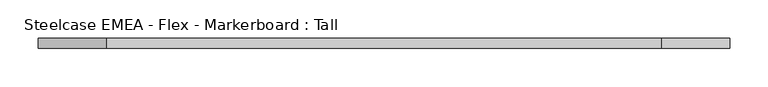
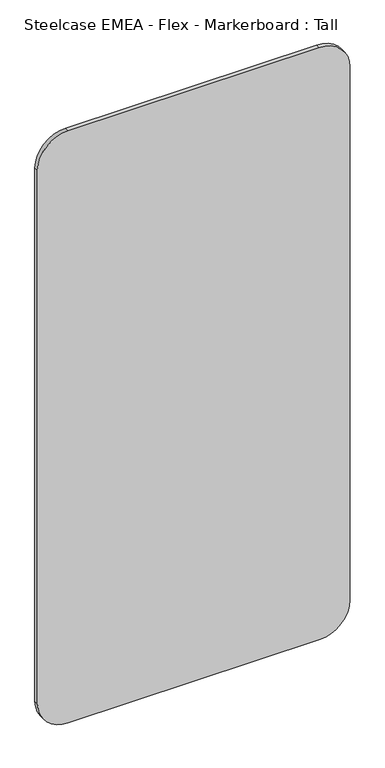
"""IFC4 building model written with IfcOpenShell, lengths in millimetres: furniture geometry, Steelcase EMEA - Flex - Markerboard : Tall."""

import ifcopenshell
import ifcopenshell.guid

model = None  # the IFC model being written
_history = None  # IfcOwnerHistory: only IFC2X3 demands one
_inside = {}  # id of a spatial element -> (the spatial element, [elements in it])
_under = {}  # id of a project, library or spatial element -> (it, [spatial elements below it])
_declared = {}  # id of a project -> (the project, [libraries it declares])
_typed = {}  # id of a type object -> (the type object, [elements of that type])
_made_of = {}  # id of a material, layer set ... -> (it, [elements and type objects made of it])


def new_model(schema):
    """Start an empty IFC model of exactly this schema.

    Asked for "IFC4X3", IfcOpenShell would pick the latest addendum, in which some entities
    have other attributes; the version numbers below select the first issue.
    IFC2X3 requires an IfcOwnerHistory on every rooted entity: one is made here for all.
    """
    global model, _history
    if schema == "IFC4X3":
        model = ifcopenshell.file(schema_version=(4, 3, 0, 0))
    else:
        model = ifcopenshell.file(schema=schema)
    _inside.clear()
    _under.clear()
    _declared.clear()
    _typed.clear()
    _made_of.clear()
    _history = None
    if model.schema == "IFC2X3":
        org = make("IfcOrganization", Name="unknown")
        user = make(
            "IfcPersonAndOrganization",
            ThePerson=make("IfcPerson", FamilyName="unknown"),
            TheOrganization=org,
        )
        app = make(
            "IfcApplication",
            ApplicationDeveloper=org,
            Version="unknown",
            ApplicationFullName="unknown",
            ApplicationIdentifier="unknown",
        )
        _history = make(
            "IfcOwnerHistory",
            OwningUser=user,
            OwningApplication=app,
            ChangeAction="ADDED",
            CreationDate=0,
        )
    return model


def make(cls, **values):
    """One entity of the class cls with the attributes given. An attribute that is None is left unset."""
    return model.create_entity(
        cls, **{name: value for name, value in values.items() if value is not None}
    )


def rooted(cls, **values):
    """An entity with a GlobalId (a new one), such as an element, a storey or a relation."""
    return make(cls, GlobalId=ifcopenshell.guid.new(), OwnerHistory=_history, **values)


def si_unit(unit_type, name, prefix=None):
    """IfcSIUnit, for example si_unit("LENGTHUNIT", "METRE", prefix="MILLI")."""
    return make("IfcSIUnit", UnitType=unit_type, Prefix=prefix, Name=name)


def assignment(units):
    """IfcUnitAssignment: the units of a project."""
    return None if units is None else make("IfcUnitAssignment", Units=units)


def point(xyz):
    """IfcCartesianPoint."""
    return None if xyz is None else make("IfcCartesianPoint", Coordinates=xyz)


def direction(xyz):
    """IfcDirection."""
    return None if xyz is None else make("IfcDirection", DirectionRatios=xyz)


def frame(location, z_axis=None, x_axis=None):
    """IfcAxis2Placement3D, a coordinate frame: its origin and axes. An axis left out is left unset."""
    return make(
        "IfcAxis2Placement3D",
        Location=point(location),
        Axis=direction(z_axis),
        RefDirection=direction(x_axis),
    )


def frame_2d(location, x_axis=None):
    """IfcAxis2Placement2D, a coordinate frame in the plane: its origin and x axis."""
    return make(
        "IfcAxis2Placement2D", Location=point(location), RefDirection=direction(x_axis)
    )


def origin():
    """The frame at (0, 0, 0) with its axes left unset."""
    return frame((0.0, 0.0, 0.0))


def place(relative_to, where):
    """IfcLocalPlacement: puts the frame where relative to a parent placement (None: the world)."""
    return make(
        "IfcLocalPlacement", PlacementRelTo=relative_to, RelativePlacement=where
    )


def context(
    kind, dimensions, precision=None, world=None, true_north=None, identifier=None
):
    """IfcGeometricRepresentationContext, for example the 3D "Model" context."""
    return make(
        "IfcGeometricRepresentationContext",
        ContextIdentifier=identifier,
        ContextType=kind,
        CoordinateSpaceDimension=dimensions,
        Precision=precision,
        WorldCoordinateSystem=world,
        TrueNorth=true_north,
    )


def project(units=None, contexts=None):
    """IfcProject with its units and contexts."""
    return rooted(
        "IfcProject",
        Name="project",
        RepresentationContexts=contexts,
        UnitsInContext=assignment(units),
    )


def spatial(cls, under=None, at=None, **own):
    """A site, building, storey or space (cls), placed at a placement, below another one or the project."""
    s = rooted(cls, ObjectPlacement=at, **own)
    if under is not None:
        _under.setdefault(under.id(), (under, []))[1].append(s)
    return s


def polyline(points):
    """IfcPolyline through the points."""
    return make("IfcPolyline", Points=[point(p) for p in points])


def circle_curve(where, radius):
    """IfcCircle in the frame where."""
    return make("IfcCircle", Position=where, Radius=radius)


def trimmed(basis, trim1, trim2, sense, master):
    """IfcTrimmedCurve: the piece of a basis curve between two trims."""
    return make(
        "IfcTrimmedCurve",
        BasisCurve=basis,
        Trim1=trim1,
        Trim2=trim2,
        SenseAgreement=sense,
        MasterRepresentation=master,
    )


def segment(curve, same_sense, transition):
    """IfcCompositeCurveSegment."""
    return make(
        "IfcCompositeCurveSegment",
        Transition=transition,
        SameSense=same_sense,
        ParentCurve=curve,
    )


def composite_curve(segments, self_intersect=None):
    """IfcCompositeCurve: segments joined end to end."""
    return make("IfcCompositeCurve", Segments=segments, SelfIntersect=self_intersect)


def outline(outer, holes=None, kind="AREA"):
    """IfcArbitraryClosedProfileDef: a profile drawn as a closed curve; with holes, ...WithVoids."""
    if holes is None:
        return make("IfcArbitraryClosedProfileDef", ProfileType=kind, OuterCurve=outer)
    return make(
        "IfcArbitraryProfileDefWithVoids",
        ProfileType=kind,
        OuterCurve=outer,
        InnerCurves=holes,
    )


def extrude(swept, where, along, depth):
    """IfcExtrudedAreaSolid: the profile swept, set in the frame where, extruded along a direction by depth."""
    return make(
        "IfcExtrudedAreaSolid",
        SweptArea=swept,
        Position=where,
        ExtrudedDirection=direction(along),
        Depth=depth,
    )


def shape(context_of_items, identifier, shape_type, items):
    """IfcShapeRepresentation: the items that make up one representation, for example the "Body"."""
    return make(
        "IfcShapeRepresentation",
        ContextOfItems=context_of_items,
        RepresentationIdentifier=identifier,
        RepresentationType=shape_type,
        Items=items,
    )


def source(mapping_origin, context_of_items, identifier, shape_type, items):
    """IfcRepresentationMap: a shape defined once, which mapped items show again and again."""
    return make(
        "IfcRepresentationMap",
        MappingOrigin=mapping_origin,
        MappedRepresentation=shape(context_of_items, identifier, shape_type, items),
    )


def transform(
    local_origin,
    x_axis=None,
    y_axis=None,
    z_axis=None,
    scale=None,
    scale2=None,
    scale3=None,
    uniform=True,
):
    """IfcCartesianTransformationOperator3D, or its non-uniform kind. x_axis, y_axis, z_axis: its Axis1, 2, 3."""
    if uniform:
        return make(
            "IfcCartesianTransformationOperator3D",
            Axis1=direction(x_axis),
            Axis2=direction(y_axis),
            LocalOrigin=point(local_origin),
            Scale=scale,
            Axis3=direction(z_axis),
        )
    return make(
        "IfcCartesianTransformationOperator3DnonUniform",
        Axis1=direction(x_axis),
        Axis2=direction(y_axis),
        LocalOrigin=point(local_origin),
        Scale=scale,
        Axis3=direction(z_axis),
        Scale2=scale2,
        Scale3=scale3,
    )


def mapped(mapping_source, mapping_target):
    """IfcMappedItem: shows the shape of a source again, moved by a transform."""
    return make(
        "IfcMappedItem", MappingSource=mapping_source, MappingTarget=mapping_target
    )


def made_of(thing, what):
    """Note that an element or type object is made of a material, layer set ...; save() writes the relation."""
    if what is not None:
        _made_of.setdefault(what.id(), (what, []))[1].append(thing)
    return thing


def element(
    cls,
    number,
    at=None,
    inside=None,
    cuts=None,
    type_object=None,
    material=None,
    context=None,
    identifier="Body",
    shape_type=None,
    held_by="IfcProductDefinitionShape",
    body=None,
    shapes=None,
    **own,
):
    """One element of the class cls, such as IfcWall. Its Tag is "e" and its number.

    at: its placement. inside: the storey or other place that contains it. cuts: it is an
    opening in that element (IfcRelVoidsElement). A single representation is given by context,
    identifier, shape_type and body (its items); several are given by shapes. held_by: the class
    of the entity that holds the representations. save() writes the other relations.
    """
    e = rooted(cls, Tag="e%d" % number, ObjectPlacement=at, **own)
    if body is not None:
        shapes = [shape(context, identifier, shape_type, body)]
    if shapes is not None:
        e.Representation = make(held_by, Representations=shapes)
    if inside is not None:
        _inside.setdefault(inside.id(), (inside, []))[1].append(e)
    if cuts is not None:
        rooted(
            "IfcRelVoidsElement", RelatingBuildingElement=cuts, RelatedOpeningElement=e
        )
    if type_object is not None:
        _typed.setdefault(type_object.id(), (type_object, []))[1].append(e)
    return made_of(e, material)


def aggregate(whole, parts):
    """IfcRelAggregates: a whole, such as a stair, and the parts it consists of."""
    return rooted("IfcRelAggregates", RelatingObject=whole, RelatedObjects=parts)


def save(model, path):
    """Write the relations noted so far, then the file.

    IfcRelAggregates (storeys below a building ...), IfcRelContainedInSpatialStructure (elements
    in a storey), IfcRelDefinesByType, IfcRelAssociatesMaterial and IfcRelDeclares: one each for
    every whole, place, type object, material and project.
    """
    for whole, parts in _under.values():
        aggregate(whole, parts)
    for where, things in _inside.values():
        rooted(
            "IfcRelContainedInSpatialStructure",
            RelatedElements=things,
            RelatingStructure=where,
        )
    for kind, things in _typed.values():
        rooted("IfcRelDefinesByType", RelatedObjects=things, RelatingType=kind)
    for what, things in _made_of.values():
        rooted("IfcRelAssociatesMaterial", RelatedObjects=things, RelatingMaterial=what)
    for by, libraries in _declared.values():
        rooted("IfcRelDeclares", RelatingContext=by, RelatedDefinitions=libraries)
    model.write(path)


def steelcase_emea_flex_markerboard_tall_489af712(model_context):
    return source(origin(), model_context, "Body", "SweptSolid", [
        extrude(outline(composite_curve([segment(polyline([(1800.0, 811.1), (1800.0, 88.9)]), True, "CONTINUOUS"), segment(trimmed(circle_curve(frame_2d((1711.1, 88.9)), 88.9), [point((1800.0, 88.9))], [point((1711.1, 0.0))], False, "CARTESIAN"), True, "CONTINUOUS"), segment(polyline([(1711.1, 0.0), (88.9, 0.0)]), True, "CONTINUOUS"), segment(trimmed(circle_curve(frame_2d((88.9, 88.9)), 88.9), [point((88.9, 0.0))], [point((0.0, 88.9))], False, "CARTESIAN"), True, "CONTINUOUS"), segment(polyline([(0.0, 88.9), (0.0, 811.1)]), True, "CONTINUOUS"), segment(trimmed(circle_curve(frame_2d((88.9, 811.1)), 88.9), [point((0.0, 811.1))], [point((88.9, 900.0))], False, "CARTESIAN"), True, "CONTINUOUS"), segment(polyline([(88.9, 900.0), (1711.1, 900.0)]), True, "CONTINUOUS"), segment(trimmed(circle_curve(frame_2d((1711.1, 811.1)), 88.9), [point((1711.1, 900.0))], [point((1800.0, 811.1))], False, "CARTESIAN"), True, "CONTINUOUS")], self_intersect=False)), frame((0.0, 0.0, 0.0), z_axis=(0.0, 1.0, 0.0), x_axis=(0.0, 0.0, 1.0)), (0.0, 0.0, 1.0), 12.6929538),
    ])


if __name__ == "__main__":
    model = new_model("IFC4")
    model_context = context("Model", 3, world=origin())
    ifc_project = project(units=[si_unit("LENGTHUNIT", "METRE", prefix="MILLI")], contexts=[model_context])
    site = spatial("IfcSite", under=ifc_project)
    building = spatial("IfcBuilding", under=site)
    placement = place(None, origin())
    steelcase_emea_flex_markerboard_tall_shape = steelcase_emea_flex_markerboard_tall_489af712(model_context)
    element("IfcFurniture", 1, ObjectType="Steelcase EMEA - Flex - Markerboard : Tall", at=placement, inside=building, context=model_context, shape_type="MappedRepresentation", body=[
        mapped(steelcase_emea_flex_markerboard_tall_shape, transform((0.0, 0.0, 0.0), x_axis=(1.0, 0.0, 0.0), y_axis=(0.0, 1.0, 0.0), z_axis=(0.0, 0.0, 1.0))),
    ])
    save(model, "model.ifc")
